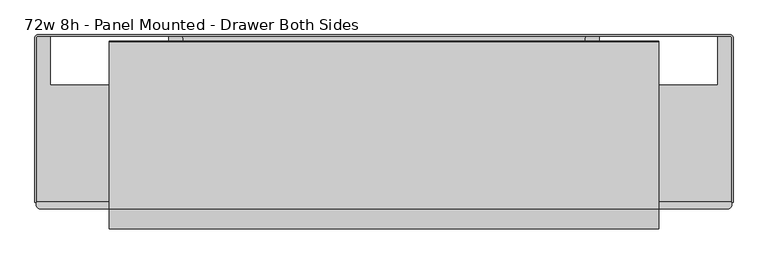
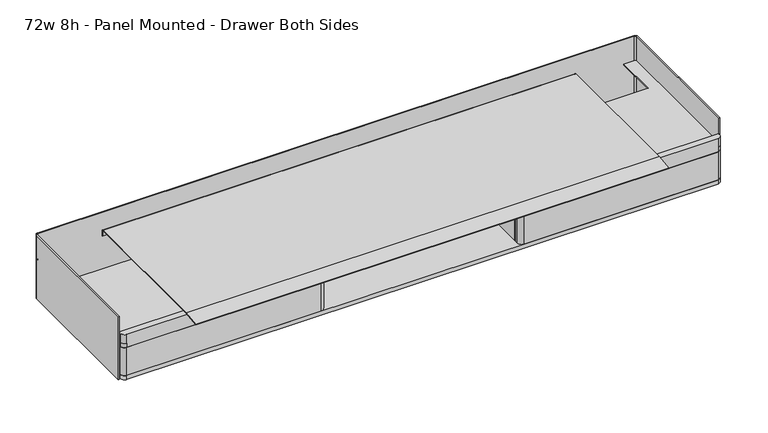
"""IFC4 building model written with IfcOpenShell, lengths in millimetres: furniture geometry, 72w 8h - Panel Mounted - Drawer Both Sides."""

from ifc_helpers import new_model, si_unit, point, frame, frame_2d, origin, place, context, project, spatial, polyline, circle_curve, trimmed, segment, composite_curve, outline, extrude, source, transform, mapped, element, save
from ifc_brep_helpers import plane_surface, cylinder_surface, advanced_brep


def furniture_72w_8h_panel_mounted_drawer_both_sides_dac381f8(model_context):
    return source(origin(), model_context, "Body", "SolidModel", [
        extrude(outline(composite_curve([segment(trimmed(circle_curve(frame_2d((-315.595017, 838.2)), 3.175), [point((-315.595017, 835.025))], [point((-318.770017, 838.2))], False, "CARTESIAN"), True, "CONTINUOUS"), segment(polyline([(-318.770017, 838.2), (-318.770017, 847.9155407)]), True, "CONTINUOUS"), segment(trimmed(circle_curve(frame_2d((-320.357517, 847.9155407)), 1.5875), [point((-318.770017, 847.9155407))], [point((-320.357517, 849.5030407))], True, "CARTESIAN"), True, "CONTINUOUS"), segment(polyline([(-320.357517, 849.5030407), (-334.5180201, 849.5030407), (-334.5180201, 851.0270029), (-320.4210184, 851.0270029)]), True, "CONTINUOUS"), segment(trimmed(circle_curve(frame_2d((-320.4210184, 847.8520029)), 3.175), [point((-320.4210184, 851.0270029))], [point((-317.2460184, 847.8520029))], False, "CARTESIAN"), True, "CONTINUOUS"), segment(polyline([(-317.2460184, 847.8520029), (-317.2460184, 838.1365349)]), True, "CONTINUOUS"), segment(trimmed(circle_curve(frame_2d((-315.6585184, 838.1365349)), 1.5875), [point((-317.2460184, 838.1365349))], [point((-315.6585184, 836.5490349))], True, "CARTESIAN"), True, "CONTINUOUS"), segment(polyline([(-315.6585184, 836.5490349), (-274.3835063, 836.5490349)]), True, "CONTINUOUS"), segment(trimmed(circle_curve(frame_2d((-274.3835063, 838.1365349)), 1.5875), [point((-274.3835063, 836.5490349))], [point((-272.7960063, 838.1365349))], True, "CARTESIAN"), True, "CONTINUOUS"), segment(polyline([(-272.7960063, 838.1365349), (-272.7960063, 847.8520029)]), True, "CONTINUOUS"), segment(trimmed(circle_curve(frame_2d((-269.6210063, 847.8520029)), 3.175), [point((-272.7960063, 847.8520029))], [point((-269.6210063, 851.0270029))], False, "CARTESIAN"), True, "CONTINUOUS"), segment(polyline([(-269.6210063, 851.0270029), (-255.5240228, 851.0270029), (-255.5240228, 849.5030407), (-269.6845078, 849.5030407)]), True, "CONTINUOUS"), segment(trimmed(circle_curve(frame_2d((-269.6845078, 847.9155407)), 1.5875), [point((-269.6845078, 849.5030407))], [point((-271.2720078, 847.9155407))], True, "CARTESIAN"), True, "CONTINUOUS"), segment(polyline([(-271.2720078, 847.9155407), (-271.2720078, 838.2)]), True, "CONTINUOUS"), segment(trimmed(circle_curve(frame_2d((-274.4470078, 838.2)), 3.175), [point((-271.2720078, 838.2))], [point((-274.4470078, 835.025))], False, "CARTESIAN"), True, "CONTINUOUS"), segment(polyline([(-274.4470078, 835.025), (-315.595017, 835.025)]), True, "CONTINUOUS")], self_intersect=False)), frame((-598.4875, 0.0, 0.0), z_axis=(1.0, 0.0, 0.0), x_axis=(0.0, 1.0, 0.0)), (0.0, 0.0, 1.0), 1196.975),
        extrude(outline(composite_curve([segment(polyline([(-540.5872772, 1000.5493443), (-540.8524136, 1002.435857), (-490.3475431, 1009.5339703), (-51.1737385, 1009.5339703)]), True, "CONTINUOUS"), segment(trimmed(circle_curve(frame_2d((-51.1737385, 1006.5440323)), 2.9899379), [point((-51.1737385, 1009.5339703))], [point((-48.1838005, 1006.5440323))], False, "CARTESIAN"), True, "CONTINUOUS"), segment(polyline([(-48.1838005, 1006.5440323), (-48.1838005, 989.2139896), (-50.0887998, 989.2139896), (-50.0887998, 1006.6125916)]), True, "CONTINUOUS"), segment(trimmed(circle_curve(frame_2d((-51.105207, 1006.6125916)), 1.0164071), [point((-50.0887998, 1006.6125916))], [point((-51.1052293, 1007.6289988))], True, "CARTESIAN"), True, "CONTINUOUS"), segment(polyline([(-51.1052293, 1007.6289988), (-490.2825111, 1007.6193342), (-540.5872772, 1000.5493443)]), True, "CONTINUOUS")], self_intersect=False)), frame((-719.1375, 0.0, 0.0), z_axis=(1.0, 0.0, 0.0), x_axis=(0.0, 1.0, 0.0)), (0.0, 0.0, 1.0), 1438.275),
        extrude(outline(composite_curve([segment(polyline([(-564.3244993, -35.9409999), (-533.3682493, -35.9409999)]), True, "CONTINUOUS"), segment(trimmed(circle_curve(frame_2d((-533.3682493, -42.2909999)), 6.35), [point((-533.3682493, -35.9409999))], [point((-527.0182493, -42.2909999))], False, "CARTESIAN"), True, "CONTINUOUS"), segment(polyline([(-527.0182493, -42.2909999), (-527.0182493, -469.8999858), (-911.225, -469.8999858), (-911.225, -42.2909999)]), True, "CONTINUOUS"), segment(trimmed(circle_curve(frame_2d((-904.875, -42.2909999)), 6.35), [point((-911.225, -42.2909999))], [point((-904.875, -35.9409999))], False, "CARTESIAN"), True, "CONTINUOUS"), segment(polyline([(-904.875, -35.9409999), (-873.9237324, -35.9409999), (-873.9237324, -163.4489964), (-564.3244993, -163.4489964), (-564.3244993, -35.9409999)]), True, "CONTINUOUS")], self_intersect=False)), frame((0.0, 0.0, 973.1375), z_axis=(0.0, 0.0, 1.0), x_axis=(1.0, 0.0, 0.0)), (0.0, 0.0, 1.0), 2.9765625),
        extrude(outline(composite_curve([segment(polyline([(564.3244993, -35.9409999), (564.3244993, -163.4489964), (873.9237324, -163.4489964), (873.9237324, -35.9409999), (904.875, -35.9409999)]), True, "CONTINUOUS"), segment(trimmed(circle_curve(frame_2d((904.875, -42.2909999)), 6.35), [point((904.875, -35.9409999))], [point((911.225, -42.2909999))], False, "CARTESIAN"), True, "CONTINUOUS"), segment(polyline([(911.225, -42.2909999), (911.225, -469.8999858), (527.0182493, -469.8999858), (527.0182493, -42.2909999)]), True, "CONTINUOUS"), segment(trimmed(circle_curve(frame_2d((533.3682493, -42.2909999)), 6.35), [point((527.0182493, -42.2909999))], [point((533.3682493, -35.9409999))], False, "CARTESIAN"), True, "CONTINUOUS"), segment(polyline([(533.3682493, -35.9409999), (564.3244993, -35.9409999)]), True, "CONTINUOUS")], self_intersect=False)), frame((0.0, 0.0, 973.1375), z_axis=(0.0, 0.0, 1.0), x_axis=(1.0, 0.0, 0.0)), (0.0, 0.0, 1.0), 2.9765625),
        extrude(outline(composite_curve([segment(trimmed(circle_curve(frame_2d((-906.1648437, -39.9851563)), 8.2351562), [point((-914.4, -39.9851563))], [point((-906.1648437, -31.75))], False, "CARTESIAN"), True, "CONTINUOUS"), segment(polyline([(-906.1648437, -31.75), (906.1648438, -31.75)]), True, "CONTINUOUS"), segment(trimmed(circle_curve(frame_2d((906.1648438, -39.9851563)), 8.2351563), [point((906.1648438, -31.75))], [point((914.4, -39.9851563))], False, "CARTESIAN"), True, "CONTINUOUS"), segment(polyline([(914.4, -39.9851563), (914.4, -471.4748312), (911.225, -471.4748312), (911.225, -39.9851563)]), True, "CONTINUOUS"), segment(trimmed(circle_curve(frame_2d((906.1648438, -39.9851563)), 5.0601563), [point((911.225, -39.9851563))], [point((906.1648438, -34.925))], True, "CARTESIAN"), True, "CONTINUOUS"), segment(polyline([(906.1648438, -34.925), (-906.1648437, -34.925)]), True, "CONTINUOUS"), segment(trimmed(circle_curve(frame_2d((-906.1648437, -39.9851563)), 5.0601563), [point((-906.1648437, -34.925))], [point((-911.225, -39.9851563))], True, "CARTESIAN"), True, "CONTINUOUS"), segment(polyline([(-911.225, -39.9851563), (-911.225, -471.4748312), (-914.4, -471.4748312), (-914.4, -39.9851563)]), True, "CONTINUOUS")], self_intersect=False)), frame((0.0, 0.0, 850.9), z_axis=(0.0, 0.0, 1.0), x_axis=(1.0, 0.0, 0.0)), (0.0, 0.0, 1.0), 203.2),
        extrude(outline(composite_curve([segment(polyline([(898.525, -488.95), (-898.525, -488.95)]), True, "CONTINUOUS"), segment(trimmed(circle_curve(frame_2d((-898.525, -476.25)), 12.7), [point((-898.525, -488.95))], [point((-911.225, -476.25))], False, "CARTESIAN"), True, "CONTINUOUS"), segment(polyline([(-911.225, -476.25), (-911.225, -166.1160172), (-567.5109085, -166.1160172)]), True, "CONTINUOUS"), segment(trimmed(circle_curve(frame_2d((-567.5109085, -158.9722672)), 7.14375), [point((-567.5109085, -166.1160172))], [point((-560.3671585, -158.9722672))], True, "CARTESIAN"), True, "CONTINUOUS"), segment(polyline([(-560.3671585, -158.9722672), (-560.3671585, -34.925), (560.3671948, -34.925), (560.3671948, -158.9722672)]), True, "CONTINUOUS"), segment(trimmed(circle_curve(frame_2d((567.5109448, -158.9722672)), 7.14375), [point((560.3671948, -158.9722672))], [point((567.5109448, -166.1160172))], True, "CARTESIAN"), True, "CONTINUOUS"), segment(polyline([(567.5109448, -166.1160172), (911.225, -166.1160172), (911.225, -476.25)]), True, "CONTINUOUS"), segment(trimmed(circle_curve(frame_2d((898.525, -476.25)), 12.7), [point((911.225, -476.25))], [point((898.525, -488.95))], False, "CARTESIAN"), True, "CONTINUOUS")], self_intersect=False)), frame((0.0, 0.0, 857.2500242), z_axis=(0.0, 0.0, 1.0), x_axis=(1.0, 0.0, 0.0)), (0.0, 0.0, 1.0), 12.6999516),
        extrude(outline(composite_curve([segment(polyline([(865.1875, -457.2000121), (-865.1875, -457.2000121)]), True, "CONTINUOUS"), segment(trimmed(circle_curve(frame_2d((-865.1875, -444.5000121)), 12.7), [point((-865.1875, -457.2000121))], [point((-877.8875, -444.5000121))], False, "CARTESIAN"), True, "CONTINUOUS"), segment(polyline([(-877.8875, -444.5000121), (-877.8875, -166.1160172), (-567.5109085, -166.1160172)]), True, "CONTINUOUS"), segment(trimmed(circle_curve(frame_2d((-567.5109085, -158.9722672)), 7.14375), [point((-567.5109085, -166.1160172))], [point((-560.3671585, -158.9722672))], True, "CARTESIAN"), True, "CONTINUOUS"), segment(polyline([(-560.3671585, -158.9722672), (-560.3671585, -35.1790143), (560.3671948, -35.1790143), (560.3671948, -158.9722672)]), True, "CONTINUOUS"), segment(trimmed(circle_curve(frame_2d((567.5109448, -158.9722672)), 7.14375), [point((560.3671948, -158.9722672))], [point((567.5109448, -166.1160172))], True, "CARTESIAN"), True, "CONTINUOUS"), segment(polyline([(567.5109448, -166.1160172), (877.8875, -166.1160172), (877.8875, -444.5000121)]), True, "CONTINUOUS"), segment(trimmed(circle_curve(frame_2d((865.1875, -444.5000121)), 12.7), [point((877.8875, -444.5000121))], [point((865.1875, -457.2000121))], False, "CARTESIAN"), True, "CONTINUOUS")], self_intersect=False)), frame((0.0, 0.0, 850.9), z_axis=(0.0, 0.0, 1.0), x_axis=(1.0, 0.0, 0.0)), (0.0, 0.0, 1.0), 6.3500242),
        extrude(outline(composite_curve([segment(trimmed(circle_curve(frame_2d((-307.975, -476.25)), 12.7), [point((-295.275, -476.25))], [point((-307.975, -488.95))], False, "CARTESIAN"), True, "CONTINUOUS"), segment(polyline([(-307.975, -488.95), (-898.525, -488.95)]), True, "CONTINUOUS"), segment(trimmed(circle_curve(frame_2d((-898.525, -476.25)), 12.7), [point((-898.525, -488.95))], [point((-911.225, -476.25))], False, "CARTESIAN"), True, "CONTINUOUS"), segment(polyline([(-911.225, -476.25), (-911.225, -468.775168), (-295.275, -468.775168), (-295.275, -476.25)]), True, "CONTINUOUS")], self_intersect=False)), frame((0.0, 0.0, 869.9499758), z_axis=(0.0, 0.0, 1.0), x_axis=(1.0, 0.0, 0.0)), (0.0, 0.0, 1.0), 90.4875),
        extrude(outline(composite_curve([segment(polyline([(295.275, -476.25), (295.275, -468.775168), (911.225, -468.775168), (911.225, -476.25)]), True, "CONTINUOUS"), segment(trimmed(circle_curve(frame_2d((898.525, -476.25)), 12.7), [point((911.225, -476.25))], [point((898.525, -488.95))], False, "CARTESIAN"), True, "CONTINUOUS"), segment(polyline([(898.525, -488.95), (307.975, -488.95)]), True, "CONTINUOUS"), segment(trimmed(circle_curve(frame_2d((307.975, -476.25)), 12.7), [point((307.975, -488.95))], [point((295.275, -476.25))], False, "CARTESIAN"), True, "CONTINUOUS")], self_intersect=False)), frame((0.0, 0.0, 869.9499758), z_axis=(0.0, 0.0, 1.0), x_axis=(1.0, 0.0, 0.0)), (0.0, 0.0, 1.0), 90.4875),
        advanced_brep(
        [(911.225, -166.1160172, 973.1375), (-911.225, -166.1160172, 973.1375), (-911.225, -469.8999858, 973.1375), (911.225, -469.8999858, 973.1375), (-911.225, -166.1160172, 960.4374758), (911.225, -166.1160172, 960.4374758), (911.225, -476.25, 960.4374758), (898.525, -488.95, 960.4374758), (-898.525, -488.95, 960.4374758), (-911.225, -476.25, 960.4374758), (-911.225, -476.25, 973.1375), (-911.225, -476.25, 1002.50625), (-911.225, -469.8999858, 1002.50625), (-898.525, -488.95, 973.1375), (898.525, -488.95, 973.1375), (898.525, -488.95, 1002.50625), (-898.525, -488.95, 1002.50625), (911.225, -476.25, 973.1375), (911.225, -469.8999858, 1002.50625), (911.225, -476.25, 1002.50625)],
        [
            (0, 1),
            (1, 2),
            (2, 3),
            (3, 0),
            (4, 5),
            (5, 6),
            (6, 7, circle_curve(frame((898.525, -476.25, 960.4374758), z_axis=(0.0, 0.0, -1.0), x_axis=(1.0, 0.0, 0.0)), 12.7)),
            (7, 8),
            (8, 9, circle_curve(frame((-898.525, -476.25, 960.4374758), z_axis=(0.0, 0.0, -1.0), x_axis=(1.0, 0.0, 0.0)), 12.7)),
            (9, 4),
            (9, 10),
            (10, 11),
            (11, 12),
            (12, 2),
            (1, 4),
            (8, 13),
            (13, 10, circle_curve(frame((-898.525, -476.25, 973.1375), z_axis=(0.0, 0.0, -1.0), x_axis=(1.0, 0.0, 0.0)), 12.7)),
            (7, 14),
            (14, 15),
            (15, 16),
            (16, 13),
            (6, 17),
            (17, 14, circle_curve(frame((898.525, -476.25, 973.1375), z_axis=(0.0, 0.0, -1.0), x_axis=(1.0, 0.0, 0.0)), 12.7)),
            (5, 0),
            (3, 18),
            (18, 19),
            (19, 17),
            (11, 16, circle_curve(frame((-898.525, -476.25, 1002.50625), z_axis=(0.0, 0.0, 1.0), x_axis=(1.0, 0.0, 0.0)), 12.7)),
            (15, 19, circle_curve(frame((898.525, -476.25, 1002.50625), z_axis=(0.0, 0.0, 1.0), x_axis=(1.0, 0.0, 0.0)), 12.7)),
            (18, 12),
        ],
        [
            plane_surface(frame((-911.225, -476.25, 973.1375), z_axis=(0.0, 0.0, 1.0), x_axis=(0.0, -1.0, 0.0))),
            plane_surface(frame((-911.225, -476.25, 960.4374758), z_axis=(0.0, 0.0, -1.0), x_axis=(0.0, 1.0, 0.0))),
            plane_surface(frame((-911.225, -166.1160172, 973.1375), z_axis=(-1.0, 0.0, 0.0), x_axis=(0.0, 0.0, -1.0))),
            cylinder_surface(frame((-898.525, -476.25, 960.4374758), z_axis=(0.0, 0.0, 1.0), x_axis=(1.0, 0.0, 0.0)), 12.7),
            plane_surface(frame((-898.525, -488.95, 973.1375), z_axis=(0.0, -1.0, 0.0), x_axis=(0.0, 0.0, -1.0))),
            cylinder_surface(frame((898.525, -476.25, 960.4374758), z_axis=(0.0, 0.0, 1.0), x_axis=(1.0, 0.0, 0.0)), 12.7),
            plane_surface(frame((911.225, -476.25, 973.1375), z_axis=(1.0, 0.0, 0.0), x_axis=(0.0, 0.0, -1.0))),
            plane_surface(frame((911.225, -166.1160172, 973.1375), z_axis=(0.0, 1.0, 0.0), x_axis=(0.0, 0.0, -1.0))),
            plane_surface(frame((-911.225, -476.25, 1002.50625), z_axis=(0.0, 0.0, 1.0), x_axis=(-7.929639144560415e-12, -1.0, 0.0))),
            cylinder_surface(frame((-898.525, -476.25, 973.1375), z_axis=(0.0, 0.0, 1.0), x_axis=(1.0, 0.0, 0.0)), 12.7),
            cylinder_surface(frame((898.525, -476.25, 973.1375), z_axis=(0.0, 0.0, 1.0), x_axis=(1.0, 0.0, 0.0)), 12.7),
            plane_surface(frame((911.225, -469.8999858, 1002.50625), z_axis=(0.0, 1.0, 0.0), x_axis=(0.0, 0.0, -1.0))),
        ],
        [
            (0, [[1, 2, 3, 4]]),
            (1, [[5, 6, 7, 8, 9, 10]]),
            (2, [[-10, 11, 12, 13, 14, -2, 15]]),
            (3, [[-9, 16, 17, -11]]),
            (4, [[-8, 18, 19, 20, 21, -16]]),
            (5, [[-7, 22, 23, -18]]),
            (6, [[-6, 24, -4, 25, 26, 27, -22]]),
            (7, [[-1, -24, -5, -15]]),
            (8, [[-13, 28, -20, 29, -26, 30]]),
            (9, [[-28, -12, -17, -21]]),
            (10, [[-29, -19, -23, -27]]),
            (11, [[-30, -25, -3, -14]]),
        ],
    ),
        extrude(outline(polyline([(-295.275, -185.0643922), (-295.275, -464.4644306), (-314.325, -464.4644306), (-314.325, -185.0643922), (-295.275, -185.0643922)])), frame((0.0, 0.0, 869.9499758), z_axis=(0.0, 0.0, 1.0), x_axis=(1.0, 0.0, 0.0)), (0.0, 0.0, 1.0), 90.4875),
        extrude(outline(polyline([(295.275, -185.0643922), (314.325, -185.0643922), (314.325, -464.4644306), (295.275, -464.4644306), (295.275, -185.0643922)])), frame((0.0, 0.0, 869.9499758), z_axis=(0.0, 0.0, 1.0), x_axis=(1.0, 0.0, 0.0)), (0.0, 0.0, 1.0), 90.4875),
    ])


if __name__ == "__main__":
    model = new_model("IFC4")
    model_context = context("Model", 3, world=origin())
    ifc_project = project(units=[si_unit("LENGTHUNIT", "METRE", prefix="MILLI")], contexts=[model_context])
    site = spatial("IfcSite", under=ifc_project)
    building = spatial("IfcBuilding", under=site)
    placement = place(None, origin())
    furniture_72w_8h_panel_mounted_drawer_both_sides_shape = furniture_72w_8h_panel_mounted_drawer_both_sides_dac381f8(model_context)
    element("IfcFurniture", 1, ObjectType="72w 8h - Panel Mounted - Drawer Both Sides", at=placement, inside=building, context=model_context, shape_type="MappedRepresentation", body=[
        mapped(furniture_72w_8h_panel_mounted_drawer_both_sides_shape, transform((0.0, 0.0, 0.0), x_axis=(1.0, 0.0, 0.0), y_axis=(0.0, 1.0, 0.0), z_axis=(0.0, 0.0, 1.0))),
    ])
    save(model, "model.ifc")
